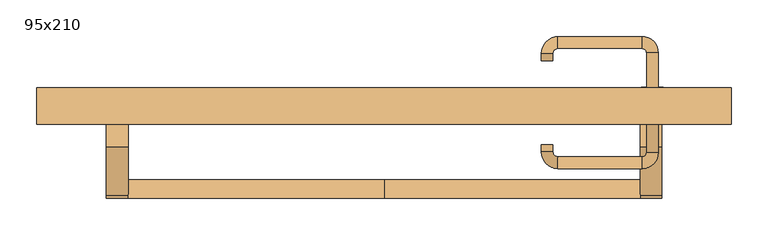
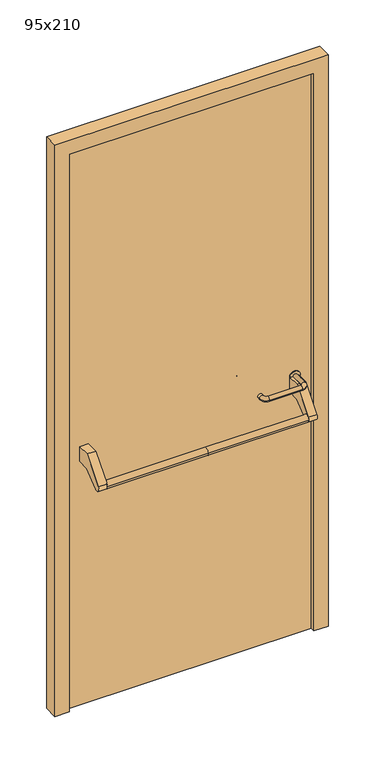
"""IFC4 building model written with IfcOpenShell, lengths in millimetres: door geometry, 95x210."""

import ifcopenshell
import ifcopenshell.guid

model = None  # the IFC model being written
_history = None  # IfcOwnerHistory: only IFC2X3 demands one
_inside = {}  # id of a spatial element -> (the spatial element, [elements in it])
_under = {}  # id of a project, library or spatial element -> (it, [spatial elements below it])
_declared = {}  # id of a project -> (the project, [libraries it declares])
_typed = {}  # id of a type object -> (the type object, [elements of that type])
_made_of = {}  # id of a material, layer set ... -> (it, [elements and type objects made of it])


def new_model(schema):
    """Start an empty IFC model of exactly this schema.

    Asked for "IFC4X3", IfcOpenShell would pick the latest addendum, in which some entities
    have other attributes; the version numbers below select the first issue.
    IFC2X3 requires an IfcOwnerHistory on every rooted entity: one is made here for all.
    """
    global model, _history
    if schema == "IFC4X3":
        model = ifcopenshell.file(schema_version=(4, 3, 0, 0))
    else:
        model = ifcopenshell.file(schema=schema)
    _inside.clear()
    _under.clear()
    _declared.clear()
    _typed.clear()
    _made_of.clear()
    _history = None
    if model.schema == "IFC2X3":
        org = make("IfcOrganization", Name="unknown")
        user = make(
            "IfcPersonAndOrganization",
            ThePerson=make("IfcPerson", FamilyName="unknown"),
            TheOrganization=org,
        )
        app = make(
            "IfcApplication",
            ApplicationDeveloper=org,
            Version="unknown",
            ApplicationFullName="unknown",
            ApplicationIdentifier="unknown",
        )
        _history = make(
            "IfcOwnerHistory",
            OwningUser=user,
            OwningApplication=app,
            ChangeAction="ADDED",
            CreationDate=0,
        )
    return model


def make(cls, **values):
    """One entity of the class cls with the attributes given. An attribute that is None is left unset."""
    return model.create_entity(
        cls, **{name: value for name, value in values.items() if value is not None}
    )


def rooted(cls, **values):
    """An entity with a GlobalId (a new one), such as an element, a storey or a relation."""
    return make(cls, GlobalId=ifcopenshell.guid.new(), OwnerHistory=_history, **values)


def si_unit(unit_type, name, prefix=None):
    """IfcSIUnit, for example si_unit("LENGTHUNIT", "METRE", prefix="MILLI")."""
    return make("IfcSIUnit", UnitType=unit_type, Prefix=prefix, Name=name)


def assignment(units):
    """IfcUnitAssignment: the units of a project."""
    return None if units is None else make("IfcUnitAssignment", Units=units)


def point(xyz):
    """IfcCartesianPoint."""
    return None if xyz is None else make("IfcCartesianPoint", Coordinates=xyz)


def direction(xyz):
    """IfcDirection."""
    return None if xyz is None else make("IfcDirection", DirectionRatios=xyz)


def frame(location, z_axis=None, x_axis=None):
    """IfcAxis2Placement3D, a coordinate frame: its origin and axes. An axis left out is left unset."""
    return make(
        "IfcAxis2Placement3D",
        Location=point(location),
        Axis=direction(z_axis),
        RefDirection=direction(x_axis),
    )


def frame_2d(location, x_axis=None):
    """IfcAxis2Placement2D, a coordinate frame in the plane: its origin and x axis."""
    return make(
        "IfcAxis2Placement2D", Location=point(location), RefDirection=direction(x_axis)
    )


def origin():
    """The frame at (0, 0, 0) with its axes left unset."""
    return frame((0.0, 0.0, 0.0))


def origin_with_axes():
    """The frame at (0, 0, 0) with the z axis (0, 0, 1) and the x axis (1, 0, 0) written out."""
    return frame((0.0, 0.0, 0.0), z_axis=(0.0, 0.0, 1.0), x_axis=(1.0, 0.0, 0.0))


def place(relative_to, where):
    """IfcLocalPlacement: puts the frame where relative to a parent placement (None: the world)."""
    return make(
        "IfcLocalPlacement", PlacementRelTo=relative_to, RelativePlacement=where
    )


def context(
    kind, dimensions, precision=None, world=None, true_north=None, identifier=None
):
    """IfcGeometricRepresentationContext, for example the 3D "Model" context."""
    return make(
        "IfcGeometricRepresentationContext",
        ContextIdentifier=identifier,
        ContextType=kind,
        CoordinateSpaceDimension=dimensions,
        Precision=precision,
        WorldCoordinateSystem=world,
        TrueNorth=true_north,
    )


def project(units=None, contexts=None):
    """IfcProject with its units and contexts."""
    return rooted(
        "IfcProject",
        Name="project",
        RepresentationContexts=contexts,
        UnitsInContext=assignment(units),
    )


def spatial(cls, under=None, at=None, **own):
    """A site, building, storey or space (cls), placed at a placement, below another one or the project."""
    s = rooted(cls, ObjectPlacement=at, **own)
    if under is not None:
        _under.setdefault(under.id(), (under, []))[1].append(s)
    return s


def polyline(points):
    """IfcPolyline through the points."""
    return make("IfcPolyline", Points=[point(p) for p in points])


def circle_curve(where, radius):
    """IfcCircle in the frame where."""
    return make("IfcCircle", Position=where, Radius=radius)


def ellipse_curve(where, semi_axis1, semi_axis2):
    """IfcEllipse in the frame where."""
    return make(
        "IfcEllipse", Position=where, SemiAxis1=semi_axis1, SemiAxis2=semi_axis2
    )


def trimmed(basis, trim1, trim2, sense, master):
    """IfcTrimmedCurve: the piece of a basis curve between two trims."""
    return make(
        "IfcTrimmedCurve",
        BasisCurve=basis,
        Trim1=trim1,
        Trim2=trim2,
        SenseAgreement=sense,
        MasterRepresentation=master,
    )


def segment(curve, same_sense, transition):
    """IfcCompositeCurveSegment."""
    return make(
        "IfcCompositeCurveSegment",
        Transition=transition,
        SameSense=same_sense,
        ParentCurve=curve,
    )


def composite_curve(segments, self_intersect=None):
    """IfcCompositeCurve: segments joined end to end."""
    return make("IfcCompositeCurve", Segments=segments, SelfIntersect=self_intersect)


def outline(outer, holes=None, kind="AREA"):
    """IfcArbitraryClosedProfileDef: a profile drawn as a closed curve; with holes, ...WithVoids."""
    if holes is None:
        return make("IfcArbitraryClosedProfileDef", ProfileType=kind, OuterCurve=outer)
    return make(
        "IfcArbitraryProfileDefWithVoids",
        ProfileType=kind,
        OuterCurve=outer,
        InnerCurves=holes,
    )


def extrude(swept, where, along, depth):
    """IfcExtrudedAreaSolid: the profile swept, set in the frame where, extruded along a direction by depth."""
    return make(
        "IfcExtrudedAreaSolid",
        SweptArea=swept,
        Position=where,
        ExtrudedDirection=direction(along),
        Depth=depth,
    )


def shape(context_of_items, identifier, shape_type, items):
    """IfcShapeRepresentation: the items that make up one representation, for example the "Body"."""
    return make(
        "IfcShapeRepresentation",
        ContextOfItems=context_of_items,
        RepresentationIdentifier=identifier,
        RepresentationType=shape_type,
        Items=items,
    )


def source(mapping_origin, context_of_items, identifier, shape_type, items):
    """IfcRepresentationMap: a shape defined once, which mapped items show again and again."""
    return make(
        "IfcRepresentationMap",
        MappingOrigin=mapping_origin,
        MappedRepresentation=shape(context_of_items, identifier, shape_type, items),
    )


def transform(
    local_origin,
    x_axis=None,
    y_axis=None,
    z_axis=None,
    scale=None,
    scale2=None,
    scale3=None,
    uniform=True,
):
    """IfcCartesianTransformationOperator3D, or its non-uniform kind. x_axis, y_axis, z_axis: its Axis1, 2, 3."""
    if uniform:
        return make(
            "IfcCartesianTransformationOperator3D",
            Axis1=direction(x_axis),
            Axis2=direction(y_axis),
            LocalOrigin=point(local_origin),
            Scale=scale,
            Axis3=direction(z_axis),
        )
    return make(
        "IfcCartesianTransformationOperator3DnonUniform",
        Axis1=direction(x_axis),
        Axis2=direction(y_axis),
        LocalOrigin=point(local_origin),
        Scale=scale,
        Axis3=direction(z_axis),
        Scale2=scale2,
        Scale3=scale3,
    )


def mapped(mapping_source, mapping_target):
    """IfcMappedItem: shows the shape of a source again, moved by a transform."""
    return make(
        "IfcMappedItem", MappingSource=mapping_source, MappingTarget=mapping_target
    )


def made_of(thing, what):
    """Note that an element or type object is made of a material, layer set ...; save() writes the relation."""
    if what is not None:
        _made_of.setdefault(what.id(), (what, []))[1].append(thing)
    return thing


def element(
    cls,
    number,
    at=None,
    inside=None,
    cuts=None,
    type_object=None,
    material=None,
    context=None,
    identifier="Body",
    shape_type=None,
    held_by="IfcProductDefinitionShape",
    body=None,
    shapes=None,
    **own,
):
    """One element of the class cls, such as IfcWall. Its Tag is "e" and its number.

    at: its placement. inside: the storey or other place that contains it. cuts: it is an
    opening in that element (IfcRelVoidsElement). A single representation is given by context,
    identifier, shape_type and body (its items); several are given by shapes. held_by: the class
    of the entity that holds the representations. save() writes the other relations.
    """
    e = rooted(cls, Tag="e%d" % number, ObjectPlacement=at, **own)
    if body is not None:
        shapes = [shape(context, identifier, shape_type, body)]
    if shapes is not None:
        e.Representation = make(held_by, Representations=shapes)
    if inside is not None:
        _inside.setdefault(inside.id(), (inside, []))[1].append(e)
    if cuts is not None:
        rooted(
            "IfcRelVoidsElement", RelatingBuildingElement=cuts, RelatedOpeningElement=e
        )
    if type_object is not None:
        _typed.setdefault(type_object.id(), (type_object, []))[1].append(e)
    return made_of(e, material)


def aggregate(whole, parts):
    """IfcRelAggregates: a whole, such as a stair, and the parts it consists of."""
    return rooted("IfcRelAggregates", RelatingObject=whole, RelatedObjects=parts)


def save(model, path):
    """Write the relations noted so far, then the file.

    IfcRelAggregates (storeys below a building ...), IfcRelContainedInSpatialStructure (elements
    in a storey), IfcRelDefinesByType, IfcRelAssociatesMaterial and IfcRelDeclares: one each for
    every whole, place, type object, material and project.
    """
    for whole, parts in _under.values():
        aggregate(whole, parts)
    for where, things in _inside.values():
        rooted(
            "IfcRelContainedInSpatialStructure",
            RelatedElements=things,
            RelatingStructure=where,
        )
    for kind, things in _typed.values():
        rooted("IfcRelDefinesByType", RelatedObjects=things, RelatingType=kind)
    for what, things in _made_of.values():
        rooted("IfcRelAssociatesMaterial", RelatedObjects=things, RelatingMaterial=what)
    for by, libraries in _declared.values():
        rooted("IfcRelDeclares", RelatingContext=by, RelatedDefinitions=libraries)
    model.write(path)


def plane_surface(at):
    """IfcPlane: the flat surface through the origin of the frame at, square to its z axis."""
    return make("IfcPlane", Position=at)


def cylinder_surface(at, radius):
    """IfcCylindricalSurface: all points at the distance radius from the z axis of the frame at."""
    return make("IfcCylindricalSurface", Position=at, Radius=radius)


def revolved_surface(curve, axis_point, axis_direction):
    """IfcSurfaceOfRevolution: the curve turned about the line through axis_point along axis_direction."""
    return make(
        "IfcSurfaceOfRevolution",
        SweptCurve=make("IfcArbitraryOpenProfileDef", ProfileType="CURVE", Curve=curve),
        AxisPosition=make("IfcAxis1Placement", Location=point(axis_point), Axis=direction(axis_direction)),
    )


def advanced_brep(points, edges, surfaces, faces):
    """IfcAdvancedBrep: a solid bounded by faces that lie on surfaces and meet in shared edges.

    An edge is (start, end): straight between two places in points (the first is 0);
    or (start, end, curve); or (start, end, curve, False) where it runs against its curve.
    A face is (place in surfaces, loops), or (place, loops, False) where it looks against
    its surface's normal. A loop lists edges by number (the first is 1), with a minus sign
    where the edge is run from its end to its start. The first loop is the outer one.
    """
    corners = [point(p) for p in points]
    vertices = [make("IfcVertexPoint", VertexGeometry=c) for c in corners]
    made = []
    for start, end, *more in edges:
        made.append(
            make(
                "IfcEdgeCurve",
                EdgeStart=vertices[start],
                EdgeEnd=vertices[end],
                EdgeGeometry=more[0] if more else make("IfcPolyline", Points=[corners[start], corners[end]]),
                SameSense=more[1] if len(more) > 1 else True,
            )
        )
    hull = []
    for where, loops, *sense in faces:
        bounds = []
        for j, loop in enumerate(loops):
            ring = [make("IfcOrientedEdge", EdgeElement=made[abs(k) - 1], Orientation=k > 0) for k in loop]
            bounds.append(
                make(
                    "IfcFaceOuterBound" if j == 0 else "IfcFaceBound",
                    Bound=make("IfcEdgeLoop", EdgeList=ring),
                    Orientation=True,
                )
            )
        hull.append(make("IfcAdvancedFace", Bounds=bounds, FaceSurface=surfaces[where], SameSense=sense[0] if sense else True))
    return make("IfcAdvancedBrep", Outer=make("IfcClosedShell", CfsFaces=hull))


def door_95x210_4c38fd24(model_context):
    return source(origin(), model_context, "Body", "SolidModel", [
        advanced_brep(
        [(-350.0, -50.4171435, 861.5304884), (-350.0, -75.4171435, 861.5304884), (0.0, -50.4171435, 861.5304884), (0.0, -75.4171435, 861.5304884), (350.0, -50.4171435, 861.5304884), (350.0, -75.4171435, 861.5304884)],
        [
            (0, 1, circle_curve(frame((-350.0, -62.9171435, 861.5304884), z_axis=(-1.0, 0.0, 0.0), x_axis=(0.0, -1.0, 0.0)), 12.5)),
            (1, 0, circle_curve(frame((-350.0, -62.9171435, 861.5304884), z_axis=(-1.0, 0.0, 0.0), x_axis=(0.0, -1.0, 0.0)), 12.5)),
            (0, 2),
            (2, 3, circle_curve(frame((0.0, -62.9171435, 861.5304884), z_axis=(-1.0, 0.0, 0.0), x_axis=(0.0, -1.0, 0.0)), 12.5)),
            (3, 1),
            (3, 2, circle_curve(frame((0.0, -62.9171435, 861.5304884), z_axis=(-1.0, 0.0, 0.0), x_axis=(0.0, -1.0, 0.0)), 12.5)),
            (4, 5, circle_curve(frame((350.0, -62.9171435, 861.5304884), z_axis=(1.0, 0.0, 0.0), x_axis=(0.0, -1.0, 0.0)), 12.5)),
            (5, 4, circle_curve(frame((350.0, -62.9171435, 861.5304884), z_axis=(1.0, 0.0, 0.0), x_axis=(0.0, -1.0, 0.0)), 12.5)),
            (5, 3),
            (2, 4),
        ],
        [
            plane_surface(frame((-350.0, -75.4171435, 861.5304884), z_axis=(-1.0, 0.0, 0.0), x_axis=(0.0, 0.0, -1.0))),
            cylinder_surface(frame((-350.0, -62.9171435, 861.5304884), z_axis=(1.0, 0.0, 0.0), x_axis=(0.0, -1.0, 0.0)), 12.5),
            plane_surface(frame((350.0, -75.4171435, 861.5304884), z_axis=(1.0, 0.0, 0.0), x_axis=(0.0, 0.0, 1.0))),
            cylinder_surface(frame((0.0, -62.9171435, 861.5304884), z_axis=(1.0, 0.0, 0.0), x_axis=(0.0, -1.0, 0.0)), 12.5),
        ],
        [
            (0, [[1, 2]]),
            (1, [[3, 4, 5, -1]]),
            (1, [[-5, 6, -3, -2]]),
            (2, [[7, 8]]),
            (3, [[9, -4, 10, -8]]),
            (3, [[-10, -6, -9, -7]]),
        ],
    ),
        extrude(outline(composite_curve([segment(polyline([(-5.0, 950.0), (40.0, 950.0), (40.0, 895.2768379), (-3.5486991, 895.2768379), (-53.3415879, 853.4956432)]), True, "CONTINUOUS"), segment(trimmed(circle_curve(frame_2d((-62.9171435, 861.5304884)), 12.5), [point((-53.3415879, 853.4956432))], [point((-72.492699, 869.5653335))], False, "CARTESIAN"), True, "CONTINUOUS"), segment(polyline([(-72.492699, 869.5653335), (-5.0, 950.0)]), True, "CONTINUOUS")], self_intersect=False)), frame((-380.0, 0.0, 0.0), z_axis=(1.0, 0.0, 0.0), x_axis=(0.0, 1.0, 0.0)), (0.0, 0.0, 1.0), 30.0),
        extrude(outline(composite_curve([segment(polyline([(-5.0, 950.0), (40.0, 950.0), (40.0, 895.2768379), (-3.5486991, 895.2768379), (-53.3415879, 853.4956432)]), True, "CONTINUOUS"), segment(trimmed(circle_curve(frame_2d((-62.9171435, 861.5304884)), 12.5), [point((-53.3415879, 853.4956432))], [point((-72.492699, 869.5653335))], False, "CARTESIAN"), True, "CONTINUOUS"), segment(polyline([(-72.492699, 869.5653335), (-5.0, 950.0)]), True, "CONTINUOUS")], self_intersect=False)), frame((350.0, 0.0, 0.0), z_axis=(1.0, 0.0, 0.0), x_axis=(0.0, 1.0, 0.0)), (0.0, 0.0, 1.0), 30.0),
        extrude(outline(composite_curve([segment(trimmed(circle_curve(frame_2d((897.3605726, 367.0)), 15.0), [point((897.3605726, 382.0))], [point((897.3605726, 352.0))], False, "CARTESIAN"), True, "CONTINUOUS"), segment(trimmed(circle_curve(frame_2d((897.3605726, 367.0)), 15.0), [point((897.3605726, 352.0))], [point((897.3605726, 382.0))], False, "CARTESIAN"), True, "CONTINUOUS")], self_intersect=False), holes=[composite_curve([segment(trimmed(circle_curve(frame_2d((892.5833211, 366.9398032)), 2.0), [point((892.5833211, 368.9398032))], [point((892.5833211, 364.9398032))], True, "CARTESIAN"), True, "CONTINUOUS"), segment(polyline([(892.5833211, 364.9398032), (902.5833211, 364.9398032)]), True, "CONTINUOUS"), segment(trimmed(circle_curve(frame_2d((902.5833211, 366.9398032)), 2.0), [point((902.5833211, 364.9398032))], [point((902.5833211, 368.9398032))], True, "CARTESIAN"), True, "CONTINUOUS"), segment(polyline([(902.5833211, 368.9398032), (892.5833211, 368.9398032)]), True, "CONTINUOUS")], self_intersect=False)]), frame((0.0, 33.65, 0.0), z_axis=(0.0, 1.0, 0.0), x_axis=(0.0, 0.0, 1.0)), (0.0, 0.0, 1.0), 6.35),
        extrude(outline(composite_curve([segment(trimmed(circle_curve(frame_2d((950.0, 367.0)), 17.526), [point((950.0, 384.526))], [point((950.0, 349.474))], False, "CARTESIAN"), True, "CONTINUOUS"), segment(trimmed(circle_curve(frame_2d((950.0, 367.0)), 17.526), [point((950.0, 349.474))], [point((950.0, 384.526))], False, "CARTESIAN"), True, "CONTINUOUS")], self_intersect=False)), frame((0.0, 36.825, 0.0), z_axis=(0.0, 1.0, 0.0), x_axis=(0.0, 0.0, 1.0)), (0.0, 0.0, 1.0), 3.175),
        advanced_brep(
        [(375.0, 40.0, 950.0), (359.0, 40.0, 950.0), (359.0, -13.0, 950.0), (375.0, -13.0, 950.0), (352.8578644, -19.1421356, 950.0), (352.8578644, -35.1421356, 950.0), (237.8578644, -19.1421356, 950.0), (237.8578644, -35.1421356, 950.0), (231.008622, -12.2928932, 950.0), (215.008622, -12.2928932, 950.0), (215.008622, -2.2928932, 950.0), (231.008622, -2.2928932, 950.0)],
        [
            (0, 1, circle_curve(frame((367.0, 40.0, 950.0), z_axis=(0.0, 1.0, 0.0), x_axis=(-1.0, 0.0, 0.0)), 8.0)),
            (1, 0, circle_curve(frame((367.0, 40.0, 950.0), z_axis=(0.0, 1.0, 0.0), x_axis=(-1.0, 0.0, 0.0)), 8.0)),
            (1, 2),
            (2, 3, circle_curve(frame((367.0, -13.0, 950.0), z_axis=(0.0, 1.0, 0.0), x_axis=(-1.0, 0.0, 0.0)), 8.0)),
            (3, 0),
            (3, 2, circle_curve(frame((367.0, -13.0, 950.0), z_axis=(0.0, 1.0, 0.0), x_axis=(-1.0, 0.0, 0.0)), 8.0)),
            (4, 5, circle_curve(frame((352.8578644, -27.1421356, 950.0), z_axis=(1.0, 0.0, 0.0), x_axis=(0.0, 1.0, 0.0)), 8.0)),
            (5, 3, circle_curve(frame((352.8578644, -13.0, 950.0), z_axis=(0.0, 0.0, 1.0), x_axis=(1.0, 0.0, 0.0)), 22.1421356)),
            (2, 4, circle_curve(frame((352.8578644, -13.0, 950.0), z_axis=(0.0, 0.0, -1.0), x_axis=(1.0, 0.0, 0.0)), 6.1421356)),
            (5, 4, circle_curve(frame((352.8578644, -27.1421356, 950.0), z_axis=(1.0, 0.0, 0.0), x_axis=(0.0, 1.0, 0.0)), 8.0)),
            (4, 6),
            (6, 7, circle_curve(frame((237.8578644, -27.1421356, 950.0), z_axis=(1.0, 0.0, 0.0), x_axis=(0.0, 1.0, 0.0)), 8.0)),
            (7, 5),
            (7, 6, circle_curve(frame((237.8578644, -27.1421356, 950.0), z_axis=(1.0, 0.0, 0.0), x_axis=(0.0, 1.0, 0.0)), 8.0)),
            (8, 9, circle_curve(frame((223.008622, -12.2928932, 950.0), z_axis=(0.0, -1.0, 0.0), x_axis=(1.0, 0.0, 0.0)), 8.0)),
            (9, 7, circle_curve(frame((237.8578644, -12.2928932, 950.0), z_axis=(0.0, 0.0, 1.0), x_axis=(0.0, -1.0, 0.0)), 22.8492424)),
            (6, 8, circle_curve(frame((237.8578644, -12.2928932, 950.0), z_axis=(0.0, 0.0, -1.0), x_axis=(0.0, -1.0, 0.0)), 6.8492424)),
            (9, 8, circle_curve(frame((223.008622, -12.2928932, 950.0), z_axis=(0.0, -1.0, 0.0), x_axis=(1.0, 0.0, 0.0)), 8.0)),
            (10, 11, circle_curve(frame((223.008622, -2.2928932, 950.0), z_axis=(0.0, 1.0, 0.0), x_axis=(1.0, 0.0, 0.0)), 8.0)),
            (11, 10, circle_curve(frame((223.008622, -2.2928932, 950.0), z_axis=(0.0, 1.0, 0.0), x_axis=(1.0, 0.0, 0.0)), 8.0)),
            (8, 11),
            (10, 9),
        ],
        [
            plane_surface(frame((367.0, 40.0, 170.0), z_axis=(0.0, 1.0, 0.0), x_axis=(0.0, 0.0, 1.0))),
            cylinder_surface(frame((367.0, 40.0, 950.0), z_axis=(0.0, 1.0, 0.0), x_axis=(-1.0, 0.0, 0.0)), 8.0),
            revolved_surface(trimmed(ellipse_curve(frame((367.0, -13.0, 950.0), z_axis=(0.0, -1.0, 0.0), x_axis=(-1.0, 0.0, 0.0)), 8.0, 8.0), [point((375.0, -13.0, 950.0))], [point((359.0, -13.0, 950.0))], True, "CARTESIAN"), (352.8578644, -13.0, 170.0), (0.0, 0.0, 1.0)),
            revolved_surface(trimmed(ellipse_curve(frame((367.0, -13.0, 950.0), z_axis=(0.0, -1.0, 0.0), x_axis=(-1.0, 0.0, 0.0)), 8.0, 8.0), [point((359.0, -13.0, 950.0))], [point((375.0, -13.0, 950.0))], True, "CARTESIAN"), (352.8578644, -13.0, 170.0), (0.0, 0.0, 1.0)),
            cylinder_surface(frame((352.8578644, -27.1421356, 950.0), z_axis=(1.0, 0.0, 0.0), x_axis=(0.0, 1.0, 0.0)), 8.0),
            revolved_surface(trimmed(ellipse_curve(frame((237.8578644, -27.1421356, 950.0), z_axis=(-1.0, 0.0, 0.0), x_axis=(0.0, 1.0, 0.0)), 8.0, 8.0), [point((237.8578644, -35.1421356, 950.0))], [point((237.8578644, -19.1421356, 950.0))], True, "CARTESIAN"), (237.8578644, -12.2928932, 170.0), (0.0, 0.0, 1.0)),
            revolved_surface(trimmed(ellipse_curve(frame((237.8578644, -27.1421356, 950.0), z_axis=(-1.0, 0.0, 0.0), x_axis=(0.0, 1.0, 0.0)), 8.0, 8.0), [point((237.8578644, -19.1421356, 950.0))], [point((237.8578644, -35.1421356, 950.0))], True, "CARTESIAN"), (237.8578644, -12.2928932, 170.0), (0.0, 0.0, 1.0)),
            plane_surface(frame((223.008622, -2.2928932, 170.0), z_axis=(0.0, 1.0, 0.0), x_axis=(0.0, 0.0, 1.0))),
            cylinder_surface(frame((223.008622, -12.2928932, 950.0), z_axis=(0.0, -1.0, 0.0), x_axis=(1.0, 0.0, 0.0)), 8.0),
        ],
        [
            (0, [[1, 2]]),
            (1, [[3, 4, 5, -2]]),
            (1, [[-5, 6, -3, -1]]),
            (2, [[7, 8, -4, 9]]),
            (3, [[10, -9, -6, -8]]),
            (4, [[11, 12, 13, -7]]),
            (4, [[-13, 14, -11, -10]]),
            (5, [[15, 16, -12, 17]]),
            (6, [[18, -17, -14, -16]]),
            (7, [[19, 20]]),
            (8, [[21, -19, 22, -15]]),
            (8, [[-22, -20, -21, -18]]),
        ],
    ),
        extrude(outline(composite_curve([segment(trimmed(circle_curve(frame_2d((0.0, -15.0)), 15.0), [point((0.0, -30.0))], [point((0.0, 0.0))], False, "CARTESIAN"), True, "CONTINUOUS"), segment(trimmed(circle_curve(frame_2d((0.0, -15.0)), 15.0), [point((0.0, 0.0))], [point((0.0, -30.0))], False, "CARTESIAN"), True, "CONTINUOUS")], self_intersect=False), holes=[composite_curve([segment(trimmed(circle_curve(frame_2d((4.7772515, -14.9398032)), 2.0), [point((4.7772515, -16.9398032))], [point((4.7772515, -12.9398032))], True, "CARTESIAN"), True, "CONTINUOUS"), segment(polyline([(4.7772515, -12.9398032), (-5.2227485, -12.9398032)]), True, "CONTINUOUS"), segment(trimmed(circle_curve(frame_2d((-5.2227485, -14.9398032)), 2.0), [point((-5.2227485, -12.9398032))], [point((-5.2227485, -16.9398032))], True, "CARTESIAN"), True, "CONTINUOUS"), segment(polyline([(-5.2227485, -16.9398032), (4.7772515, -16.9398032)]), True, "CONTINUOUS")], self_intersect=False)]), frame((352.0, 70.0, 897.3605726), z_axis=(1.8870575173328306e-12, 1.0, 0.0), x_axis=(0.0, 0.0, -1.0)), (0.0, 0.0, 1.0), 6.35),
        extrude(outline(composite_curve([segment(trimmed(circle_curve(frame_2d((0.0, -17.526)), 17.526), [point((0.0, -35.052))], [point((0.0, 0.0))], False, "CARTESIAN"), True, "CONTINUOUS"), segment(trimmed(circle_curve(frame_2d((0.0, -17.526)), 17.526), [point((0.0, 0.0))], [point((0.0, -35.052))], False, "CARTESIAN"), True, "CONTINUOUS")], self_intersect=False)), frame((349.474, 70.0, 950.0), z_axis=(1.8870575173328306e-12, 1.0, 0.0), x_axis=(0.0, 0.0, -1.0)), (0.0, 0.0, 1.0), 3.175),
        advanced_brep(
        [(375.0, 70.0, 950.0), (359.0, 70.0, 950.0), (375.0, 123.0, 950.0), (359.0, 123.0, 950.0), (352.8578644, 129.1421356, 950.0), (352.8578644, 145.1421356, 950.0), (237.8578644, 145.1421356, 950.0), (237.8578644, 129.1421356, 950.0), (231.008622, 122.2928932, 950.0), (215.008622, 122.2928932, 950.0), (215.008622, 112.2928932, 950.0), (231.008622, 112.2928932, 950.0)],
        [
            (0, 1, circle_curve(frame((367.0, 70.0, 950.0), z_axis=(-1.888672253512351e-12, -1.0, 0.0), x_axis=(-1.0, 1.888672253512351e-12, 0.0)), 8.0)),
            (1, 0, circle_curve(frame((367.0, 70.0, 950.0), z_axis=(-1.888672253512351e-12, -1.0, 0.0), x_axis=(-1.0, 1.888672253512351e-12, 0.0)), 8.0)),
            (0, 2),
            (2, 3, circle_curve(frame((367.0, 123.0, 950.0), z_axis=(-1.888672253512351e-12, -1.0, 0.0), x_axis=(-1.0, 1.888672253512351e-12, 0.0)), 8.0)),
            (3, 1),
            (3, 2, circle_curve(frame((367.0, 123.0, 950.0), z_axis=(-1.888672253512351e-12, -1.0, 0.0), x_axis=(-1.0, 1.888672253512351e-12, 0.0)), 8.0)),
            (4, 3, circle_curve(frame((352.8578644, 123.0, 950.0), z_axis=(0.0, 0.0, -1.0), x_axis=(1.0, -1.880717803715015e-12, 0.0)), 6.1421356)),
            (2, 5, circle_curve(frame((352.8578644, 123.0, 950.0), z_axis=(0.0, 0.0, 1.0), x_axis=(1.0, -1.880717803715015e-12, 0.0)), 22.1421356)),
            (5, 4, circle_curve(frame((352.8578644, 137.1421356, 950.0), z_axis=(1.0, -1.913702061528922e-12, 0.0), x_axis=(-1.913702061528922e-12, -1.0, 0.0)), 8.0)),
            (4, 5, circle_curve(frame((352.8578644, 137.1421356, 950.0), z_axis=(1.0, -1.913702061528922e-12, 0.0), x_axis=(-1.913702061528922e-12, -1.0, 0.0)), 8.0)),
            (5, 6),
            (6, 7, circle_curve(frame((237.8578644, 137.1421356, 950.0), z_axis=(1.0, -1.913719828541269e-12, 0.0), x_axis=(-1.913719828541269e-12, -1.0, 0.0)), 8.0)),
            (7, 4),
            (7, 6, circle_curve(frame((237.8578644, 137.1421356, 950.0), z_axis=(1.0, -1.913719828541269e-12, 0.0), x_axis=(-1.913719828541269e-12, -1.0, 0.0)), 8.0)),
            (8, 7, circle_curve(frame((237.8578644, 122.2928932, 950.0), z_axis=(0.0, 0.0, -1.0), x_axis=(1.9120873253494017e-12, 1.0, 0.0)), 6.8492424)),
            (6, 9, circle_curve(frame((237.8578644, 122.2928932, 950.0), z_axis=(0.0, 0.0, 1.0), x_axis=(1.9120873253494017e-12, 1.0, 0.0)), 22.8492424)),
            (9, 8, circle_curve(frame((223.008622, 122.2928932, 950.0), z_axis=(1.890670654956676e-12, 1.0, 0.0), x_axis=(1.0, -1.890670654956676e-12, 0.0)), 8.0)),
            (8, 9, circle_curve(frame((223.008622, 122.2928932, 950.0), z_axis=(1.890226565746826e-12, 1.0, 0.0), x_axis=(1.0, -1.890226565746826e-12, 0.0)), 8.0)),
            (10, 11, circle_curve(frame((223.008622, 112.2928932, 950.0), z_axis=(-1.8903642334018795e-12, -1.0, 0.0), x_axis=(1.0, -1.8903642334018795e-12, 0.0)), 8.0)),
            (11, 10, circle_curve(frame((223.008622, 112.2928932, 950.0), z_axis=(-1.8903642334018795e-12, -1.0, 0.0), x_axis=(1.0, -1.8903642334018795e-12, 0.0)), 8.0)),
            (9, 10),
            (11, 8),
        ],
        [
            plane_surface(frame((367.0, 70.0, 170.0), z_axis=(-1.8870575173328306e-12, -1.0, 0.0), x_axis=(0.0, 0.0, 1.0))),
            cylinder_surface(frame((367.0, 70.0, 950.0), z_axis=(-1.888672253512351e-12, -1.0, 0.0), x_axis=(-1.0, 1.888672253512351e-12, 0.0)), 8.0),
            revolved_surface(trimmed(ellipse_curve(frame((367.0, 123.0, 950.0), z_axis=(-1.8823325398945356e-12, -1.0, 0.0), x_axis=(-1.0, 1.8823325398945356e-12, 0.0)), 8.0, 8.0), [point((375.0, 123.0, 950.0))], [point((359.0, 123.0, 950.0))], True, "CARTESIAN"), (352.8578644, 123.0, 170.0), (0.0, 0.0, 1.0)),
            revolved_surface(trimmed(ellipse_curve(frame((367.0, 123.0, 950.0), z_axis=(-1.8823325398945356e-12, -1.0, 0.0), x_axis=(-1.0, 1.8823325398945356e-12, 0.0)), 8.0, 8.0), [point((359.0, 123.0, 950.0))], [point((375.0, 123.0, 950.0))], True, "CARTESIAN"), (352.8578644, 123.0, 170.0), (0.0, 0.0, 1.0)),
            cylinder_surface(frame((352.8578644, 137.1421356, 950.0), z_axis=(1.0, -1.913719828541269e-12, 0.0), x_axis=(-1.913719828541269e-12, -1.0, 0.0)), 8.0),
            revolved_surface(trimmed(ellipse_curve(frame((237.8578644, 137.1421356, 950.0), z_axis=(1.0, -1.913702061528922e-12, 0.0), x_axis=(-1.913702061528922e-12, -1.0, 0.0)), 8.0, 8.0), [point((237.8578644, 145.1421356, 950.0))], [point((237.8578644, 129.1421356, 950.0))], True, "CARTESIAN"), (237.8578644, 122.2928932, 170.0), (0.0, 0.0, 1.0)),
            revolved_surface(trimmed(ellipse_curve(frame((237.8578644, 137.1421356, 950.0), z_axis=(1.0, -1.913702061528922e-12, 0.0), x_axis=(-1.913702061528922e-12, -1.0, 0.0)), 8.0, 8.0), [point((237.8578644, 129.1421356, 950.0))], [point((237.8578644, 145.1421356, 950.0))], True, "CARTESIAN"), (237.8578644, 122.2928932, 170.0), (0.0, 0.0, 1.0)),
            plane_surface(frame((223.008622, 112.2928932, 170.0), z_axis=(-1.8887494972223595e-12, -1.0, 0.0), x_axis=(0.0, 0.0, 1.0))),
            cylinder_surface(frame((223.008622, 122.2928932, 950.0), z_axis=(1.8903642334018795e-12, 1.0, 0.0), x_axis=(1.0, -1.8903642334018795e-12, 0.0)), 8.0),
        ],
        [
            (0, [[1, 2]]),
            (1, [[-1, 3, 4, 5]]),
            (1, [[-2, -5, 6, -3]]),
            (2, [[7, -4, 8, 9]]),
            (3, [[-8, -6, -7, 10]]),
            (4, [[-9, 11, 12, 13]]),
            (4, [[-10, -13, 14, -11]]),
            (5, [[15, -12, 16, 17]]),
            (6, [[-16, -14, -15, 18]]),
            (7, [[19, 20]]),
            (8, [[-17, 21, -20, 22]]),
            (8, [[-18, -22, -19, -21]]),
        ],
    ),
        extrude(outline(polyline([(2050.0, 425.0), (0.0, 425.0), (0.0, 475.0), (2100.0, 475.0), (2100.0, -475.0), (0.0, -475.0), (0.0, -425.0), (2050.0, -425.0), (2050.0, 425.0)])), frame((0.0, 25.0, 0.0), z_axis=(0.0, 1.0, 0.0), x_axis=(0.0, 0.0, 1.0)), (0.0, 0.0, 1.0), 50.0),
        extrude(outline(polyline([(-425.0, 70.0), (425.0, 70.0), (425.0, 40.0), (-425.0, 40.0), (-425.0, 70.0)])), origin_with_axes(), (0.0, 0.0, 1.0), 2050.0),
    ])


if __name__ == "__main__":
    model = new_model("IFC4")
    model_context = context("Model", 3, world=origin())
    ifc_project = project(units=[si_unit("LENGTHUNIT", "METRE", prefix="MILLI")], contexts=[model_context])
    site = spatial("IfcSite", under=ifc_project)
    building = spatial("IfcBuilding", under=site)
    placement = place(None, origin())
    door_95x210_shape = door_95x210_4c38fd24(model_context)
    element("IfcDoor", 1, ObjectType="95x210", at=placement, inside=building, context=model_context, shape_type="MappedRepresentation", body=[
        mapped(door_95x210_shape, transform((0.0, 0.0, 0.0), x_axis=(1.0, 0.0, 0.0), y_axis=(0.0, 1.0, 0.0), z_axis=(0.0, 0.0, 1.0))),
    ])
    save(model, "model.ifc")
